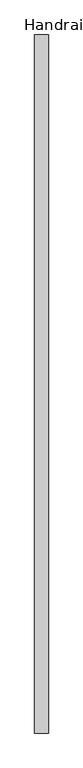
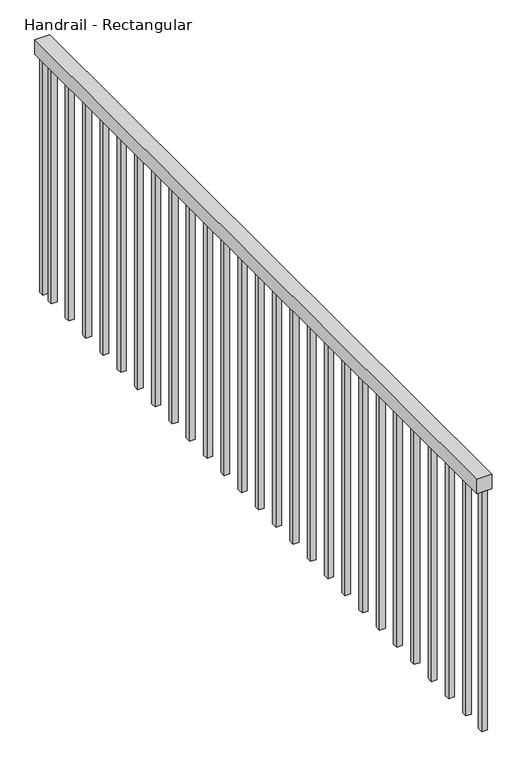
"""IFC4 building model written with IfcOpenShell, lengths in millimetres: railing geometry, Handrail - Rectangular."""

from ifc_helpers import new_model, si_unit, frame, origin, origin_with_axes, place, context, project, spatial, polyline, outline, extrude, source, transform, mapped, element, save


def handrail_rectangular_f2442dd5(model_context):
    return source(origin(), model_context, "Body", "SweptSolid", [
        extrude(outline(polyline([(8424.597955, 3469.653017), (8373.797955, 3469.653017), (8373.797955, 6069.653017), (8424.597955, 6069.653017), (8424.597955, 3469.653017)])), frame((0.0, 0.0, 859.2), z_axis=(0.0, 0.0, 1.0), x_axis=(1.0, 0.0, 0.0)), (0.0, 0.0, 1.0), 50.8),
        extrude(outline(polyline([(8408.722955, 6000.128017), (8389.672955, 6000.128017), (8389.672955, 6019.178017), (8408.722955, 6019.178017), (8408.722955, 6000.128017)])), origin_with_axes(), (0.0, 0.0, 1.0), 859.2),
        extrude(outline(polyline([(8408.722955, 5898.528017), (8389.672955, 5898.528017), (8389.672955, 5917.578017), (8408.722955, 5917.578017), (8408.722955, 5898.528017)])), origin_with_axes(), (0.0, 0.0, 1.0), 859.2),
        extrude(outline(polyline([(8408.722955, 5796.928017), (8389.672955, 5796.928017), (8389.672955, 5815.978017), (8408.722955, 5815.978017), (8408.722955, 5796.928017)])), origin_with_axes(), (0.0, 0.0, 1.0), 859.2),
        extrude(outline(polyline([(8408.722955, 5695.328017), (8389.672955, 5695.328017), (8389.672955, 5714.378017), (8408.722955, 5714.378017), (8408.722955, 5695.328017)])), origin_with_axes(), (0.0, 0.0, 1.0), 859.2),
        extrude(outline(polyline([(8408.722955, 5593.728017), (8389.672955, 5593.728017), (8389.672955, 5612.778017), (8408.722955, 5612.778017), (8408.722955, 5593.728017)])), origin_with_axes(), (0.0, 0.0, 1.0), 859.2),
        extrude(outline(polyline([(8408.722955, 5492.128017), (8389.672955, 5492.128017), (8389.672955, 5511.178017), (8408.722955, 5511.178017), (8408.722955, 5492.128017)])), origin_with_axes(), (0.0, 0.0, 1.0), 859.2),
        extrude(outline(polyline([(8408.722955, 5390.528017), (8389.672955, 5390.528017), (8389.672955, 5409.578017), (8408.722955, 5409.578017), (8408.722955, 5390.528017)])), origin_with_axes(), (0.0, 0.0, 1.0), 859.2),
        extrude(outline(polyline([(8408.722955, 5288.928017), (8389.672955, 5288.928017), (8389.672955, 5307.978017), (8408.722955, 5307.978017), (8408.722955, 5288.928017)])), origin_with_axes(), (0.0, 0.0, 1.0), 859.2),
        extrude(outline(polyline([(8408.722955, 5187.328017), (8389.672955, 5187.328017), (8389.672955, 5206.378017), (8408.722955, 5206.378017), (8408.722955, 5187.328017)])), origin_with_axes(), (0.0, 0.0, 1.0), 859.2),
        extrude(outline(polyline([(8408.722955, 5085.728017), (8389.672955, 5085.728017), (8389.672955, 5104.778017), (8408.722955, 5104.778017), (8408.722955, 5085.728017)])), origin_with_axes(), (0.0, 0.0, 1.0), 859.2),
        extrude(outline(polyline([(8408.722955, 4984.128017), (8389.672955, 4984.128017), (8389.672955, 5003.178017), (8408.722955, 5003.178017), (8408.722955, 4984.128017)])), origin_with_axes(), (0.0, 0.0, 1.0), 859.2),
        extrude(outline(polyline([(8408.722955, 4882.528017), (8389.672955, 4882.528017), (8389.672955, 4901.578017), (8408.722955, 4901.578017), (8408.722955, 4882.528017)])), origin_with_axes(), (0.0, 0.0, 1.0), 859.2),
        extrude(outline(polyline([(8408.722955, 4780.928017), (8389.672955, 4780.928017), (8389.672955, 4799.978017), (8408.722955, 4799.978017), (8408.722955, 4780.928017)])), origin_with_axes(), (0.0, 0.0, 1.0), 859.2),
        extrude(outline(polyline([(8408.722955, 4679.328017), (8389.672955, 4679.328017), (8389.672955, 4698.378017), (8408.722955, 4698.378017), (8408.722955, 4679.328017)])), origin_with_axes(), (0.0, 0.0, 1.0), 859.2),
        extrude(outline(polyline([(8408.722955, 4577.728017), (8389.672955, 4577.728017), (8389.672955, 4596.778017), (8408.722955, 4596.778017), (8408.722955, 4577.728017)])), origin_with_axes(), (0.0, 0.0, 1.0), 859.2),
        extrude(outline(polyline([(8408.722955, 4476.128017), (8389.672955, 4476.128017), (8389.672955, 4495.178017), (8408.722955, 4495.178017), (8408.722955, 4476.128017)])), origin_with_axes(), (0.0, 0.0, 1.0), 859.2),
        extrude(outline(polyline([(8408.722955, 4374.528017), (8389.672955, 4374.528017), (8389.672955, 4393.578017), (8408.722955, 4393.578017), (8408.722955, 4374.528017)])), origin_with_axes(), (0.0, 0.0, 1.0), 859.2),
        extrude(outline(polyline([(8408.722955, 4272.928017), (8389.672955, 4272.928017), (8389.672955, 4291.978017), (8408.722955, 4291.978017), (8408.722955, 4272.928017)])), origin_with_axes(), (0.0, 0.0, 1.0), 859.2),
        extrude(outline(polyline([(8408.722955, 4171.328017), (8389.672955, 4171.328017), (8389.672955, 4190.378017), (8408.722955, 4190.378017), (8408.722955, 4171.328017)])), origin_with_axes(), (0.0, 0.0, 1.0), 859.2),
        extrude(outline(polyline([(8408.722955, 4069.728017), (8389.672955, 4069.728017), (8389.672955, 4088.778017), (8408.722955, 4088.778017), (8408.722955, 4069.728017)])), origin_with_axes(), (0.0, 0.0, 1.0), 859.2),
        extrude(outline(polyline([(8408.722955, 3968.128017), (8389.672955, 3968.128017), (8389.672955, 3987.178017), (8408.722955, 3987.178017), (8408.722955, 3968.128017)])), origin_with_axes(), (0.0, 0.0, 1.0), 859.2),
        extrude(outline(polyline([(8408.722955, 3866.528017), (8389.672955, 3866.528017), (8389.672955, 3885.578017), (8408.722955, 3885.578017), (8408.722955, 3866.528017)])), origin_with_axes(), (0.0, 0.0, 1.0), 859.2),
        extrude(outline(polyline([(8408.722955, 3764.928017), (8389.672955, 3764.928017), (8389.672955, 3783.978017), (8408.722955, 3783.978017), (8408.722955, 3764.928017)])), origin_with_axes(), (0.0, 0.0, 1.0), 859.2),
        extrude(outline(polyline([(8408.722955, 3663.328017), (8389.672955, 3663.328017), (8389.672955, 3682.378017), (8408.722955, 3682.378017), (8408.722955, 3663.328017)])), origin_with_axes(), (0.0, 0.0, 1.0), 859.2),
        extrude(outline(polyline([(8408.722955, 3561.728017), (8389.672955, 3561.728017), (8389.672955, 3580.778017), (8408.722955, 3580.778017), (8408.722955, 3561.728017)])), origin_with_axes(), (0.0, 0.0, 1.0), 859.2),
        extrude(outline(polyline([(8408.722955, 6050.628017), (8389.672955, 6050.628017), (8389.672955, 6069.678017), (8408.722955, 6069.678017), (8408.722955, 6050.628017)])), origin_with_axes(), (0.0, 0.0, 1.0), 859.2),
        extrude(outline(polyline([(8408.722955, 3469.628017), (8389.672955, 3469.628017), (8389.672955, 3488.678017), (8408.722955, 3488.678017), (8408.722955, 3469.628017)])), origin_with_axes(), (0.0, 0.0, 1.0), 859.2),
    ])


if __name__ == "__main__":
    model = new_model("IFC4")
    model_context = context("Model", 3, world=origin())
    ifc_project = project(units=[si_unit("LENGTHUNIT", "METRE", prefix="MILLI")], contexts=[model_context])
    site = spatial("IfcSite", under=ifc_project)
    building = spatial("IfcBuilding", under=site)
    placement = place(None, origin())
    handrail_rectangular_shape = handrail_rectangular_f2442dd5(model_context)
    element("IfcRailing", 1, ObjectType="Handrail - Rectangular", at=placement, inside=building, context=model_context, shape_type="MappedRepresentation", body=[
        mapped(handrail_rectangular_shape, transform((0.0, 0.0, 0.0), x_axis=(1.0, 0.0, 0.0), y_axis=(0.0, 1.0, 0.0), z_axis=(0.0, 0.0, 1.0))),
    ])
    save(model, "model.ifc")
